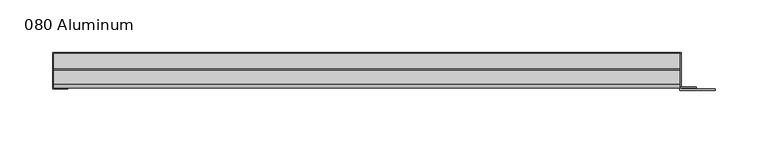
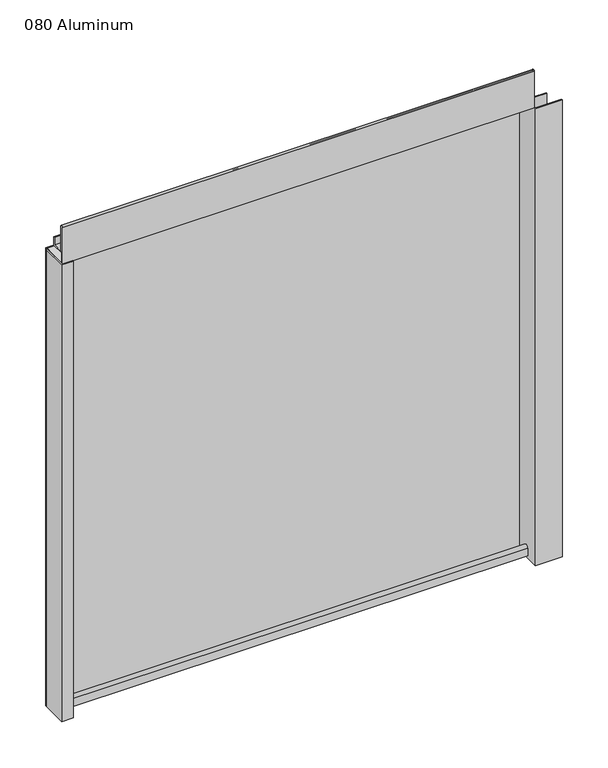
"""IFC4 building model written with IfcOpenShell, lengths in millimetres: plate geometry, 080 Aluminum."""

from ifc_helpers import new_model, si_unit, point, frame, frame_2d, origin, origin_with_axes, place, context, project, spatial, polyline, circle_curve, trimmed, segment, composite_curve, outline, extrude, source, transform, mapped, element, save


def plate_080_aluminum_a5e984e0(model_context):
    return source(origin(), model_context, "Body", "SweptSolid", [
        extrude(outline(polyline([(-303.53, 2.5660257), (-290.6394994, 2.5660257), (-290.6394994, 1.2699999), (-304.7999999, 1.2699999), (-304.7999999, 34.7980001), (-303.53, 34.7980001), (-303.53, 2.5660257)])), origin_with_axes(), (0.0, 0.0, 1.0), 608.33),
        extrude(outline(composite_curve([segment(trimmed(circle_curve(frame_2d((19.8514743, 13.124237)), 3.175), [point((16.6765477, 13.1458337))], [point((23.0264743, 13.124237))], False, "CARTESIAN"), True, "CONTINUOUS"), segment(polyline([(23.0264743, 13.124237), (23.0264743, 1.2693678), (34.7980002, 1.2693678), (34.7980002, 0.0), (21.7564743, 0.0), (21.7564743, 13.124237)]), True, "CONTINUOUS"), segment(trimmed(circle_curve(frame_2d((19.8514743, 13.124237)), 1.905), [point((21.7564743, 13.124237))], [point((17.9464915, 13.1323356))], True, "CARTESIAN"), True, "CONTINUOUS"), segment(polyline([(17.9464915, 13.1323356), (17.9464915, 2.786437), (16.6765477, 2.786437), (16.6765477, 13.1458337)]), True, "CONTINUOUS")], self_intersect=False)), frame((-303.53, 0.0, 0.0), z_axis=(1.0, 0.0, 0.0), x_axis=(0.0, 1.0, 0.0)), (0.0, 0.0, 1.0), 594.36),
        extrude(outline(composite_curve([segment(trimmed(circle_curve(frame_2d((3.7084742, 656.7932001)), 1.6509999), [point((2.0574743, 656.7932001))], [point((5.3594742, 656.7932001))], False, "CARTESIAN"), True, "CONTINUOUS"), segment(polyline([(5.3594742, 656.7932001), (5.3594742, 623.57), (19.2164743, 623.57), (19.2164743, 633.6538), (20.4864742, 633.6538), (20.4864742, 622.3), (4.0894742, 622.3), (4.0894742, 656.7932001)]), True, "CONTINUOUS"), segment(trimmed(circle_curve(frame_2d((3.7084742, 656.7932001)), 0.3809999), [point((4.0894742, 656.7932001))], [point((3.3274743, 656.7932001))], True, "CARTESIAN"), True, "CONTINUOUS"), segment(polyline([(3.3274743, 656.7932001), (3.3274743, 609.6000001), (34.7980002, 609.6000001), (34.7980002, 608.33), (2.0574743, 608.33), (2.0574743, 656.7932001)]), True, "CONTINUOUS")], self_intersect=False)), frame((-303.53, 0.0, 0.0), z_axis=(1.0, 0.0, 0.0), x_axis=(0.0, 1.0, 0.0)), (0.0, 0.0, 1.0), 594.36),
        extrude(outline(polyline([(-304.8, 36.068), (292.1, 36.068), (292.1, 34.7980001), (-304.8, 34.7980001), (-304.8, 36.068)])), origin_with_axes(), (0.0, 0.0, 1.0), 609.6),
        extrude(outline(polyline([(292.1, 1.2699999), (324.6120856, 1.2699999), (324.6120856, 0.0), (290.8300001, 0.0), (290.8300001, 34.7980002), (292.1, 34.7980002), (292.1, 1.2699999)])), origin_with_axes(), (0.0, 0.0, 1.0), 608.33),
        extrude(outline(polyline([(290.83, 3.3274743), (306.5779999, 3.3274743), (306.5779999, 2.0574743), (290.83, 2.0574743), (290.83, 3.3274743)])), origin_with_axes(), (0.0, 0.0, 1.0), 622.3),
    ])


if __name__ == "__main__":
    model = new_model("IFC4")
    model_context = context("Model", 3, world=origin())
    ifc_project = project(units=[si_unit("LENGTHUNIT", "METRE", prefix="MILLI")], contexts=[model_context])
    site = spatial("IfcSite", under=ifc_project)
    building = spatial("IfcBuilding", under=site)
    placement = place(None, origin())
    plate_080_aluminum_shape = plate_080_aluminum_a5e984e0(model_context)
    element("IfcPlate", 1, ObjectType="080 Aluminum", at=placement, inside=building, context=model_context, shape_type="MappedRepresentation", body=[
        mapped(plate_080_aluminum_shape, transform((0.0, 0.0, 0.0), x_axis=(1.0, 0.0, 0.0), y_axis=(0.0, 1.0, 0.0), z_axis=(0.0, 0.0, 1.0))),
    ])
    save(model, "model.ifc")
